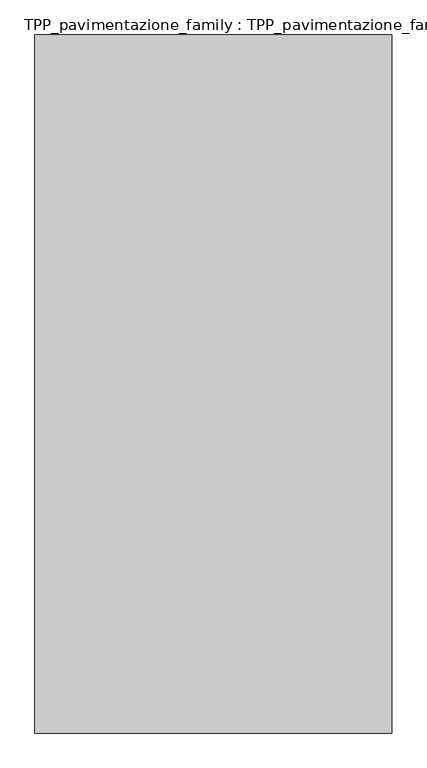
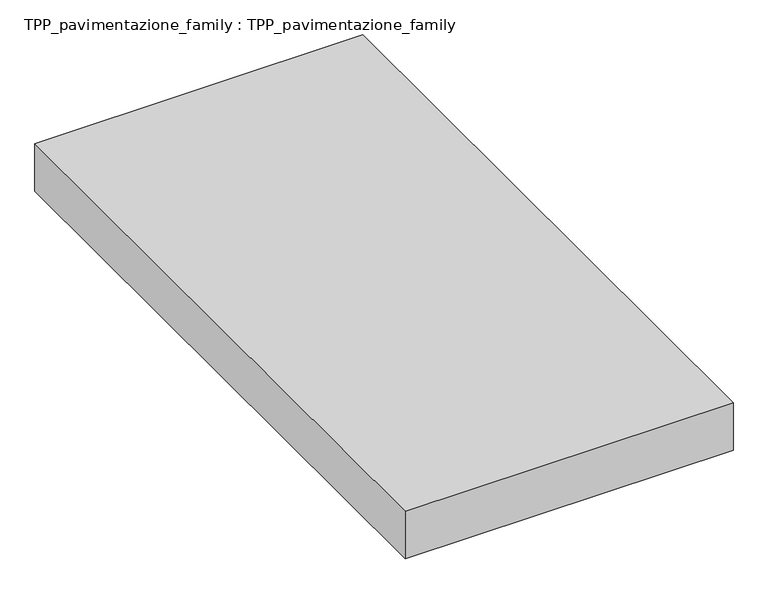
"""IFC4 building model written with IfcOpenShell, lengths in millimetres: proxy geometry, TPP_pavimentazione_family : TPP_pavimentazione_family."""

from ifc_helpers import new_model, si_unit, origin, origin_with_axes, place, context, project, spatial, polyline, outline, extrude, source, transform, mapped, element, save


def tpp_pavimentazione_family_tpp_pavimentazione_family_309b2344(model_context):
    return source(origin(), model_context, "Body", "SweptSolid", [
        extrude(outline(polyline([(511.8146187, 354.2201026), (511.8146187, -1561.0164953), (-467.6525835, -1561.0164953), (-467.6525835, 354.2201026), (511.8146187, 354.2201026)])), origin_with_axes(), (0.0, 0.0, 1.0), 150.0),
    ])


if __name__ == "__main__":
    model = new_model("IFC4")
    model_context = context("Model", 3, world=origin())
    ifc_project = project(units=[si_unit("LENGTHUNIT", "METRE", prefix="MILLI")], contexts=[model_context])
    site = spatial("IfcSite", under=ifc_project)
    building = spatial("IfcBuilding", under=site)
    placement = place(None, origin())
    tpp_pavimentazione_family_tpp_pavimentazione_family_shape = tpp_pavimentazione_family_tpp_pavimentazione_family_309b2344(model_context)
    element("IfcBuildingElementProxy", 1, Name="TPP_pavimentazione_family : TPP_pavimentazione_family", ObjectType="TPP_pavimentazione_family : TPP_pavimentazione_family", at=placement, inside=building, context=model_context, shape_type="MappedRepresentation", body=[
        mapped(tpp_pavimentazione_family_tpp_pavimentazione_family_shape, transform((0.0, 0.0, 0.0), x_axis=(1.0, 0.0, 0.0), y_axis=(0.0, 1.0, 0.0), z_axis=(0.0, 0.0, 1.0))),
    ])
    save(model, "model.ifc")
